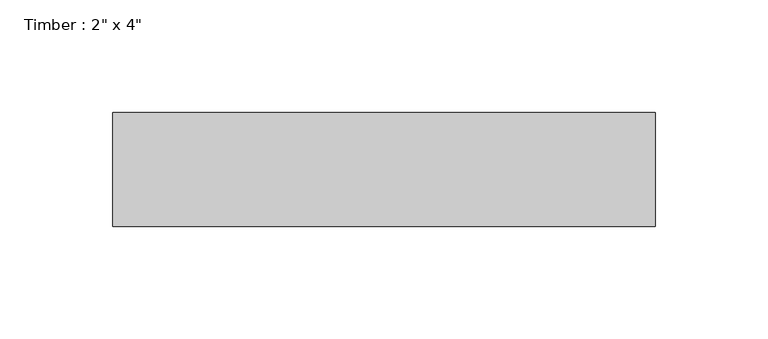
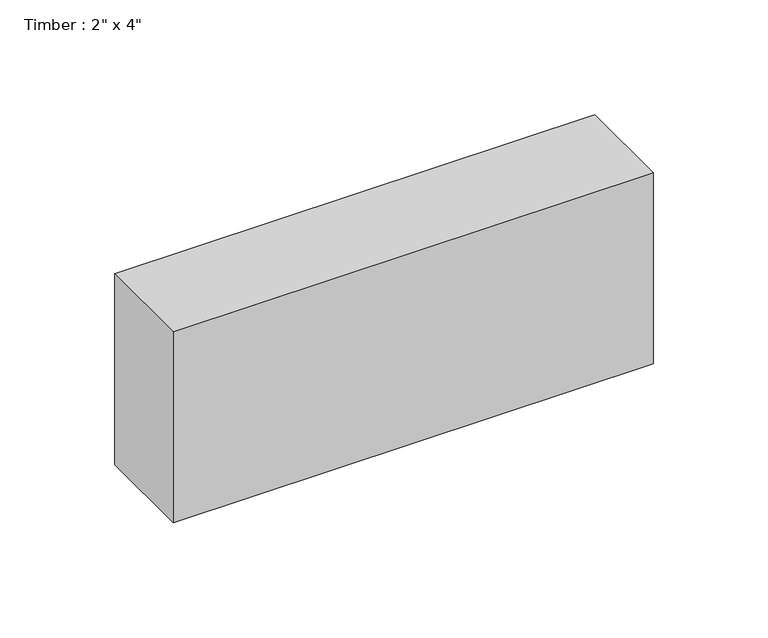
"""IFC4 building model written with IfcOpenShell, lengths in millimetres: beam geometry."""

from ifc_helpers import new_model, si_unit, frame, origin, place, context, project, spatial, polyline, outline, extrude, source, transform, mapped, element, save


def beam_e6cdd9d7(model_context):
    return source(origin(), model_context, "Body", "SweptSolid", [
        extrude(outline(polyline([(120.65, 25.4), (120.65, -25.4), (-120.65, -25.4), (-120.65, 25.4), (120.65, 25.4)])), frame((0.0, 0.0, -50.8), z_axis=(0.0, 0.0, 1.0), x_axis=(1.0, 0.0, 0.0)), (0.0, 0.0, 1.0), 101.6),
    ])


if __name__ == "__main__":
    model = new_model("IFC4")
    model_context = context("Model", 3, world=origin())
    ifc_project = project(units=[si_unit("LENGTHUNIT", "METRE", prefix="MILLI")], contexts=[model_context])
    site = spatial("IfcSite", under=ifc_project)
    building = spatial("IfcBuilding", under=site)
    placement = place(None, origin())
    beam_shape = beam_e6cdd9d7(model_context)
    element("IfcBeam", 1, ObjectType="Timber : 2\" x 4\"", at=placement, inside=building, context=model_context, shape_type="MappedRepresentation", body=[
        mapped(beam_shape, transform((0.0, 0.0, 0.0), x_axis=(1.0, 0.0, 0.0), y_axis=(0.0, 1.0, 0.0), z_axis=(0.0, 0.0, 1.0))),
    ])
    save(model, "model.ifc")
